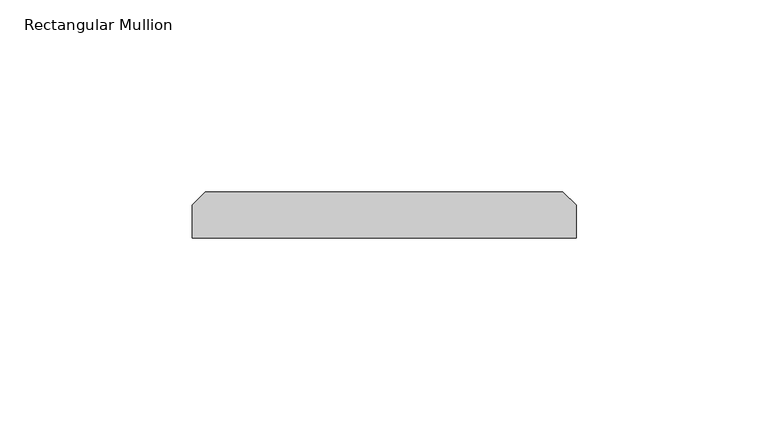
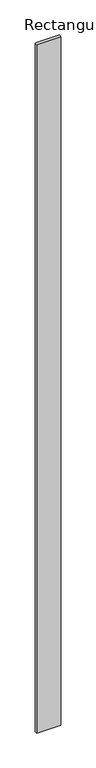
"""IFC4 building model written with IfcOpenShell, lengths in millimetres: member geometry, Rectangular Mullion."""

from ifc_helpers import new_model, si_unit, frame, origin, place, context, project, spatial, polyline, outline, extrude, source, transform, mapped, element, save


def rectangular_mullion_c2f93590(model_context):
    return source(origin(), model_context, "Body", "SweptSolid", [
        extrude(outline(polyline([(50.0, 0.0), (-50.0, 0.0), (-50.0, 8.5), (-46.5, 12.0), (46.5, 12.0), (50.0, 8.5), (50.0, 0.0)])), frame((0.0, 0.0, -3000.0), z_axis=(0.0, 0.0, 1.0), x_axis=(1.0, 0.0, 0.0)), (0.0, 0.0, 1.0), 3000.0),
    ])


if __name__ == "__main__":
    model = new_model("IFC4")
    model_context = context("Model", 3, world=origin())
    ifc_project = project(units=[si_unit("LENGTHUNIT", "METRE", prefix="MILLI")], contexts=[model_context])
    site = spatial("IfcSite", under=ifc_project)
    building = spatial("IfcBuilding", under=site)
    placement = place(None, origin())
    rectangular_mullion_shape = rectangular_mullion_c2f93590(model_context)
    element("IfcMember", 1, ObjectType="Rectangular Mullion", at=placement, inside=building, context=model_context, shape_type="MappedRepresentation", body=[
        mapped(rectangular_mullion_shape, transform((0.0, 0.0, 0.0), x_axis=(1.0, 0.0, 0.0), y_axis=(0.0, 1.0, 0.0), z_axis=(0.0, 0.0, 1.0))),
    ])
    save(model, "model.ifc")
